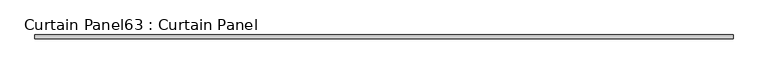
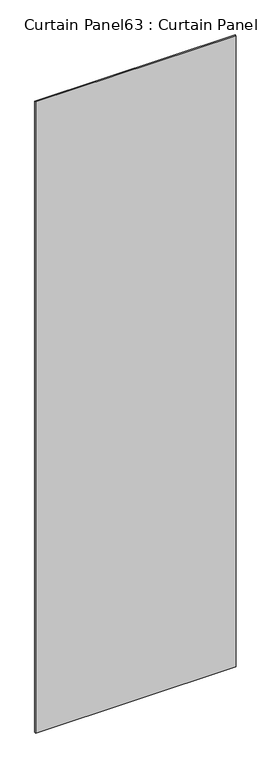
"""IFC4 building model written with IfcOpenShell, lengths in millimetres: plate geometry, Curtain Panel63 : Curtain Panel."""

from ifc_helpers import new_model, si_unit, frame, origin, place, context, project, spatial, polyline, outline, extrude, source, transform, mapped, element, save


def curtain_panel63_curtain_panel_0785f327(model_context):
    return source(origin(), model_context, "Body", "SweptSolid", [
        extrude(outline(polyline([(103787.497825, 8028.5834949), (99062.6228886, 8028.5834949), (99062.6228886, 8053.9834949), (103787.497825, 8053.9834949), (103787.497825, 8028.5834949)])), frame((0.0, 0.0, 1433.7679301), z_axis=(0.0, 0.0, 1.0), x_axis=(1.0, 0.0, 0.0)), (0.0, 0.0, 1.0), 15711.5380959),
    ])


if __name__ == "__main__":
    model = new_model("IFC4")
    model_context = context("Model", 3, world=origin())
    ifc_project = project(units=[si_unit("LENGTHUNIT", "METRE", prefix="MILLI")], contexts=[model_context])
    site = spatial("IfcSite", under=ifc_project)
    building = spatial("IfcBuilding", under=site)
    placement = place(None, origin())
    curtain_panel63_curtain_panel_shape = curtain_panel63_curtain_panel_0785f327(model_context)
    element("IfcPlate", 1, ObjectType="Curtain Panel63 : Curtain Panel", at=placement, inside=building, context=model_context, shape_type="MappedRepresentation", body=[
        mapped(curtain_panel63_curtain_panel_shape, transform((0.0, 0.0, 0.0), x_axis=(1.0, 0.0, 0.0), y_axis=(0.0, 1.0, 0.0), z_axis=(0.0, 0.0, 1.0))),
    ])
    save(model, "model.ifc")
